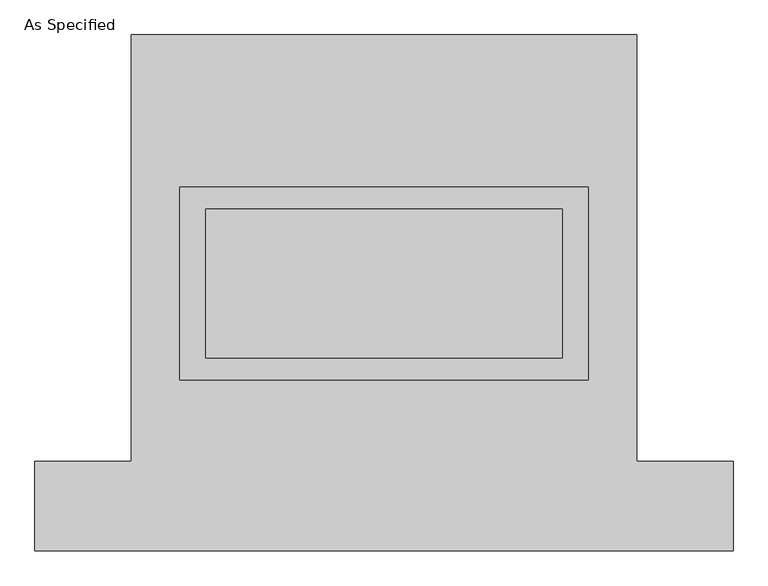
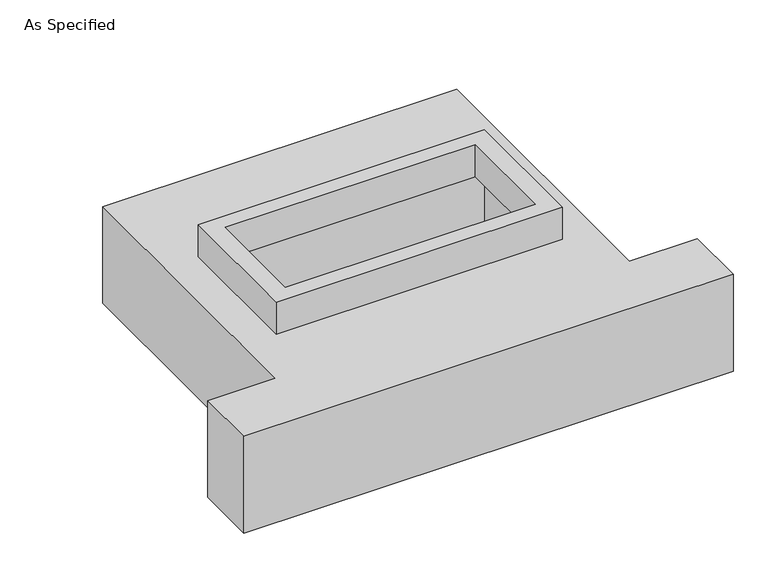
"""IFC4 building model written with IfcOpenShell, lengths in millimetres: proxy geometry, As Specified."""

import ifcopenshell
import ifcopenshell.guid

model = None  # the IFC model being written
_history = None  # IfcOwnerHistory: only IFC2X3 demands one
_inside = {}  # id of a spatial element -> (the spatial element, [elements in it])
_under = {}  # id of a project, library or spatial element -> (it, [spatial elements below it])
_declared = {}  # id of a project -> (the project, [libraries it declares])
_typed = {}  # id of a type object -> (the type object, [elements of that type])
_made_of = {}  # id of a material, layer set ... -> (it, [elements and type objects made of it])


def new_model(schema):
    """Start an empty IFC model of exactly this schema.

    Asked for "IFC4X3", IfcOpenShell would pick the latest addendum, in which some entities
    have other attributes; the version numbers below select the first issue.
    IFC2X3 requires an IfcOwnerHistory on every rooted entity: one is made here for all.
    """
    global model, _history
    if schema == "IFC4X3":
        model = ifcopenshell.file(schema_version=(4, 3, 0, 0))
    else:
        model = ifcopenshell.file(schema=schema)
    _inside.clear()
    _under.clear()
    _declared.clear()
    _typed.clear()
    _made_of.clear()
    _history = None
    if model.schema == "IFC2X3":
        org = make("IfcOrganization", Name="unknown")
        user = make(
            "IfcPersonAndOrganization",
            ThePerson=make("IfcPerson", FamilyName="unknown"),
            TheOrganization=org,
        )
        app = make(
            "IfcApplication",
            ApplicationDeveloper=org,
            Version="unknown",
            ApplicationFullName="unknown",
            ApplicationIdentifier="unknown",
        )
        _history = make(
            "IfcOwnerHistory",
            OwningUser=user,
            OwningApplication=app,
            ChangeAction="ADDED",
            CreationDate=0,
        )
    return model


def make(cls, **values):
    """One entity of the class cls with the attributes given. An attribute that is None is left unset."""
    return model.create_entity(
        cls, **{name: value for name, value in values.items() if value is not None}
    )


def rooted(cls, **values):
    """An entity with a GlobalId (a new one), such as an element, a storey or a relation."""
    return make(cls, GlobalId=ifcopenshell.guid.new(), OwnerHistory=_history, **values)


def si_unit(unit_type, name, prefix=None):
    """IfcSIUnit, for example si_unit("LENGTHUNIT", "METRE", prefix="MILLI")."""
    return make("IfcSIUnit", UnitType=unit_type, Prefix=prefix, Name=name)


def assignment(units):
    """IfcUnitAssignment: the units of a project."""
    return None if units is None else make("IfcUnitAssignment", Units=units)


def point(xyz):
    """IfcCartesianPoint."""
    return None if xyz is None else make("IfcCartesianPoint", Coordinates=xyz)


def direction(xyz):
    """IfcDirection."""
    return None if xyz is None else make("IfcDirection", DirectionRatios=xyz)


def frame(location, z_axis=None, x_axis=None):
    """IfcAxis2Placement3D, a coordinate frame: its origin and axes. An axis left out is left unset."""
    return make(
        "IfcAxis2Placement3D",
        Location=point(location),
        Axis=direction(z_axis),
        RefDirection=direction(x_axis),
    )


def origin():
    """The frame at (0, 0, 0) with its axes left unset."""
    return frame((0.0, 0.0, 0.0))


def place(relative_to, where):
    """IfcLocalPlacement: puts the frame where relative to a parent placement (None: the world)."""
    return make(
        "IfcLocalPlacement", PlacementRelTo=relative_to, RelativePlacement=where
    )


def context(
    kind, dimensions, precision=None, world=None, true_north=None, identifier=None
):
    """IfcGeometricRepresentationContext, for example the 3D "Model" context."""
    return make(
        "IfcGeometricRepresentationContext",
        ContextIdentifier=identifier,
        ContextType=kind,
        CoordinateSpaceDimension=dimensions,
        Precision=precision,
        WorldCoordinateSystem=world,
        TrueNorth=true_north,
    )


def project(units=None, contexts=None):
    """IfcProject with its units and contexts."""
    return rooted(
        "IfcProject",
        Name="project",
        RepresentationContexts=contexts,
        UnitsInContext=assignment(units),
    )


def spatial(cls, under=None, at=None, **own):
    """A site, building, storey or space (cls), placed at a placement, below another one or the project."""
    s = rooted(cls, ObjectPlacement=at, **own)
    if under is not None:
        _under.setdefault(under.id(), (under, []))[1].append(s)
    return s


def polyline(points):
    """IfcPolyline through the points."""
    return make("IfcPolyline", Points=[point(p) for p in points])


def outline(outer, holes=None, kind="AREA"):
    """IfcArbitraryClosedProfileDef: a profile drawn as a closed curve; with holes, ...WithVoids."""
    if holes is None:
        return make("IfcArbitraryClosedProfileDef", ProfileType=kind, OuterCurve=outer)
    return make(
        "IfcArbitraryProfileDefWithVoids",
        ProfileType=kind,
        OuterCurve=outer,
        InnerCurves=holes,
    )


def extrude(swept, where, along, depth):
    """IfcExtrudedAreaSolid: the profile swept, set in the frame where, extruded along a direction by depth."""
    return make(
        "IfcExtrudedAreaSolid",
        SweptArea=swept,
        Position=where,
        ExtrudedDirection=direction(along),
        Depth=depth,
    )


def faces_of(points, faces, orient=None, outer=None):
    """IfcFace entities. A face is a list of loops; a loop is a list of indices into points, from 0.

    orient and outer hold one flag for each loop. By default every Orientation is true, the
    first loop of a face is its IfcFaceOuterBound and the others are IfcFaceBound.
    """
    made = []
    for i, loops in enumerate(faces):
        bounds = []
        for j, loop in enumerate(loops):
            is_outer = j == 0 if outer is None else outer[i][j]
            bounds.append(
                make(
                    "IfcFaceOuterBound" if is_outer else "IfcFaceBound",
                    Bound=make("IfcPolyLoop", Polygon=[points[k] for k in loop]),
                    Orientation=True if orient is None else orient[i][j],
                )
            )
        made.append(make("IfcFace", Bounds=bounds))
    return made


def faceted_brep(points, faces, orient=None, outer=None, voids=None):
    """IfcFacetedBrep: a solid bounded by flat faces; with voids (closed shells), ...WithVoids."""
    shared = [point(p) for p in points]
    hull = make("IfcClosedShell", CfsFaces=faces_of(shared, faces, orient, outer))
    if voids is None:
        return make("IfcFacetedBrep", Outer=hull)
    return make(
        "IfcFacetedBrepWithVoids",
        Outer=hull,
        Voids=[
            make(cls, CfsFaces=faces_of(shared, fs, o, b)) for cls, fs, o, b in voids
        ],
    )


def shape(context_of_items, identifier, shape_type, items):
    """IfcShapeRepresentation: the items that make up one representation, for example the "Body"."""
    return make(
        "IfcShapeRepresentation",
        ContextOfItems=context_of_items,
        RepresentationIdentifier=identifier,
        RepresentationType=shape_type,
        Items=items,
    )


def source(mapping_origin, context_of_items, identifier, shape_type, items):
    """IfcRepresentationMap: a shape defined once, which mapped items show again and again."""
    return make(
        "IfcRepresentationMap",
        MappingOrigin=mapping_origin,
        MappedRepresentation=shape(context_of_items, identifier, shape_type, items),
    )


def transform(
    local_origin,
    x_axis=None,
    y_axis=None,
    z_axis=None,
    scale=None,
    scale2=None,
    scale3=None,
    uniform=True,
):
    """IfcCartesianTransformationOperator3D, or its non-uniform kind. x_axis, y_axis, z_axis: its Axis1, 2, 3."""
    if uniform:
        return make(
            "IfcCartesianTransformationOperator3D",
            Axis1=direction(x_axis),
            Axis2=direction(y_axis),
            LocalOrigin=point(local_origin),
            Scale=scale,
            Axis3=direction(z_axis),
        )
    return make(
        "IfcCartesianTransformationOperator3DnonUniform",
        Axis1=direction(x_axis),
        Axis2=direction(y_axis),
        LocalOrigin=point(local_origin),
        Scale=scale,
        Axis3=direction(z_axis),
        Scale2=scale2,
        Scale3=scale3,
    )


def mapped(mapping_source, mapping_target):
    """IfcMappedItem: shows the shape of a source again, moved by a transform."""
    return make(
        "IfcMappedItem", MappingSource=mapping_source, MappingTarget=mapping_target
    )


def made_of(thing, what):
    """Note that an element or type object is made of a material, layer set ...; save() writes the relation."""
    if what is not None:
        _made_of.setdefault(what.id(), (what, []))[1].append(thing)
    return thing


def element(
    cls,
    number,
    at=None,
    inside=None,
    cuts=None,
    type_object=None,
    material=None,
    context=None,
    identifier="Body",
    shape_type=None,
    held_by="IfcProductDefinitionShape",
    body=None,
    shapes=None,
    **own,
):
    """One element of the class cls, such as IfcWall. Its Tag is "e" and its number.

    at: its placement. inside: the storey or other place that contains it. cuts: it is an
    opening in that element (IfcRelVoidsElement). A single representation is given by context,
    identifier, shape_type and body (its items); several are given by shapes. held_by: the class
    of the entity that holds the representations. save() writes the other relations.
    """
    e = rooted(cls, Tag="e%d" % number, ObjectPlacement=at, **own)
    if body is not None:
        shapes = [shape(context, identifier, shape_type, body)]
    if shapes is not None:
        e.Representation = make(held_by, Representations=shapes)
    if inside is not None:
        _inside.setdefault(inside.id(), (inside, []))[1].append(e)
    if cuts is not None:
        rooted(
            "IfcRelVoidsElement", RelatingBuildingElement=cuts, RelatedOpeningElement=e
        )
    if type_object is not None:
        _typed.setdefault(type_object.id(), (type_object, []))[1].append(e)
    return made_of(e, material)


def aggregate(whole, parts):
    """IfcRelAggregates: a whole, such as a stair, and the parts it consists of."""
    return rooted("IfcRelAggregates", RelatingObject=whole, RelatedObjects=parts)


def save(model, path):
    """Write the relations noted so far, then the file.

    IfcRelAggregates (storeys below a building ...), IfcRelContainedInSpatialStructure (elements
    in a storey), IfcRelDefinesByType, IfcRelAssociatesMaterial and IfcRelDeclares: one each for
    every whole, place, type object, material and project.
    """
    for whole, parts in _under.values():
        aggregate(whole, parts)
    for where, things in _inside.values():
        rooted(
            "IfcRelContainedInSpatialStructure",
            RelatedElements=things,
            RelatingStructure=where,
        )
    for kind, things in _typed.values():
        rooted("IfcRelDefinesByType", RelatedObjects=things, RelatingType=kind)
    for what, things in _made_of.values():
        rooted("IfcRelAssociatesMaterial", RelatedObjects=things, RelatingMaterial=what)
    for by, libraries in _declared.values():
        rooted("IfcRelDeclares", RelatingContext=by, RelatedDefinitions=libraries)
    model.write(path)


def as_specified_74b05429(model_context):
    return source(origin(), model_context, "Body", "SolidModel", [
        extrude(outline(polyline([(698.5, 361.95), (698.5, -298.45), (-698.5, -298.45), (-698.5, 361.95), (698.5, 361.95)]), holes=[polyline([(609.6, 285.75), (-609.6, 285.75), (-609.6, -222.25), (609.6, -222.25), (609.6, 285.75)])]), frame((0.0, 0.0, -25.4), z_axis=(0.0, 0.0, 1.0), x_axis=(1.0, 0.0, 0.0)), (0.0, 0.0, 1.0), 165.1),
        faceted_brep([(-863.6, 882.65, -523.875), (863.6, 882.65, -523.875), (863.6, -577.85, -523.875), (1193.8, -577.85, -523.875), (1193.8, -882.65, -523.875), (-1193.8, -882.65, -523.875), (-1193.8, -577.85, -523.875), (-863.6, -577.85, -523.875), (863.6, 882.65, -25.4), (-863.6, 882.65, -25.4), (-863.6, -577.85, -25.4), (-1193.8, -577.85, -25.4), (-1193.8, -882.65, -25.4), (1193.8, -882.65, -25.4), (1193.8, -577.85, -25.4), (863.6, -577.85, -25.4), (-698.5, -298.45, -25.4), (-698.5, 361.95, -25.4), (698.5, 361.95, -25.4), (698.5, -298.45, -25.4), (698.5, 361.95, -498.475), (-698.5, 361.95, -498.475), (-698.5, -298.45, -498.475), (698.5, -298.45, -498.475)], [[[0, 1, 2, 3, 4, 5, 6, 7]], [[8, 9, 10, 11, 12, 13, 14, 15], [16, 17, 18, 19]], [[1, 0, 9, 8]], [[9, 0, 7, 10]], [[1, 8, 15, 2]], [[20, 21, 22, 23]], [[22, 21, 17, 16]], [[21, 20, 18, 17]], [[20, 23, 19, 18]], [[23, 22, 16, 19]], [[5, 4, 13, 12]], [[3, 2, 15, 14]], [[4, 3, 14, 13]], [[7, 6, 11, 10]], [[6, 5, 12, 11]]]),
    ])


if __name__ == "__main__":
    model = new_model("IFC4")
    model_context = context("Model", 3, world=origin())
    ifc_project = project(units=[si_unit("LENGTHUNIT", "METRE", prefix="MILLI")], contexts=[model_context])
    site = spatial("IfcSite", under=ifc_project)
    building = spatial("IfcBuilding", under=site)
    placement = place(None, origin())
    as_specified_shape = as_specified_74b05429(model_context)
    element("IfcBuildingElementProxy", 1, Name="As Specified", ObjectType="As Specified", at=placement, inside=building, context=model_context, shape_type="MappedRepresentation", body=[
        mapped(as_specified_shape, transform((0.0, 0.0, 0.0), x_axis=(1.0, 0.0, 0.0), y_axis=(0.0, 1.0, 0.0), z_axis=(0.0, 0.0, 1.0))),
    ])
    save(model, "model.ifc")
